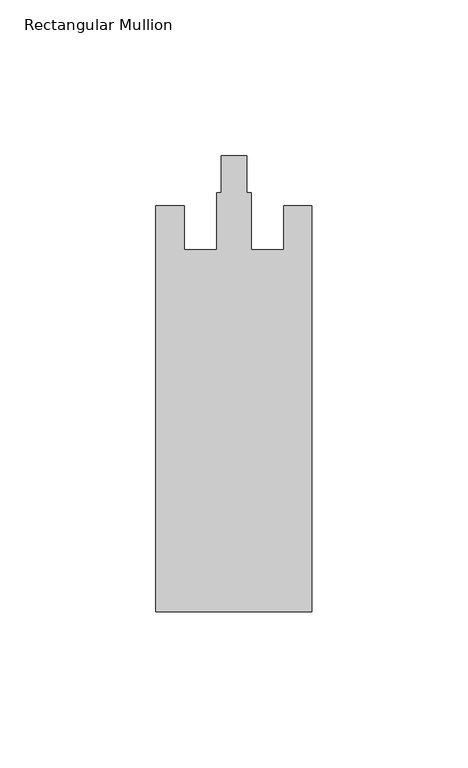
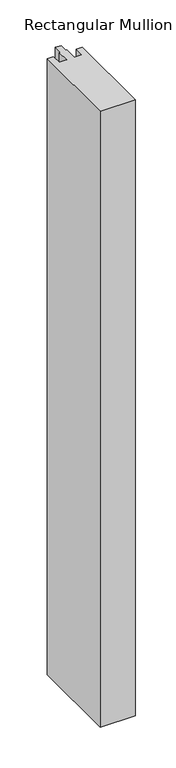
"""IFC4 building model written with IfcOpenShell, lengths in millimetres: member geometry, Rectangular Mullion."""

from ifc_helpers import new_model, si_unit, frame, origin, place, context, project, spatial, polyline, outline, extrude, source, transform, mapped, element, save


def rectangular_mullion_3b591a7e(model_context):
    return source(origin(), model_context, "Body", "SweptSolid", [
        extrude(outline(polyline([(-50.0, -153.0), (-50.0, -23.0), (-41.0, -23.0), (-41.0, -37.0), (-30.5, -37.0), (-30.5, -18.8), (-29.1, -18.8), (-29.1, -7.0), (-20.9, -7.0), (-20.9, -18.8), (-19.5, -18.8), (-19.5, -37.0), (-9.0, -37.0), (-9.0, -23.0), (0.0, -23.0), (0.0, -153.0), (-50.0, -153.0)])), frame((0.0, 0.0, -925.0), z_axis=(0.0, 0.0, 1.0), x_axis=(1.0, 0.0, 0.0)), (0.0, 0.0, 1.0), 925.0),
    ])


if __name__ == "__main__":
    model = new_model("IFC4")
    model_context = context("Model", 3, world=origin())
    ifc_project = project(units=[si_unit("LENGTHUNIT", "METRE", prefix="MILLI")], contexts=[model_context])
    site = spatial("IfcSite", under=ifc_project)
    building = spatial("IfcBuilding", under=site)
    placement = place(None, origin())
    rectangular_mullion_shape = rectangular_mullion_3b591a7e(model_context)
    element("IfcMember", 1, ObjectType="Rectangular Mullion", at=placement, inside=building, context=model_context, shape_type="MappedRepresentation", body=[
        mapped(rectangular_mullion_shape, transform((0.0, 0.0, 0.0), x_axis=(1.0, 0.0, 0.0), y_axis=(0.0, 1.0, 0.0), z_axis=(0.0, 0.0, 1.0))),
    ])
    save(model, "model.ifc")
